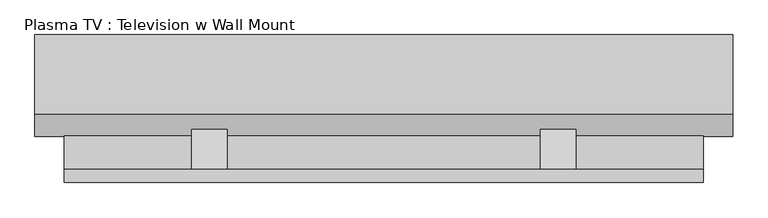
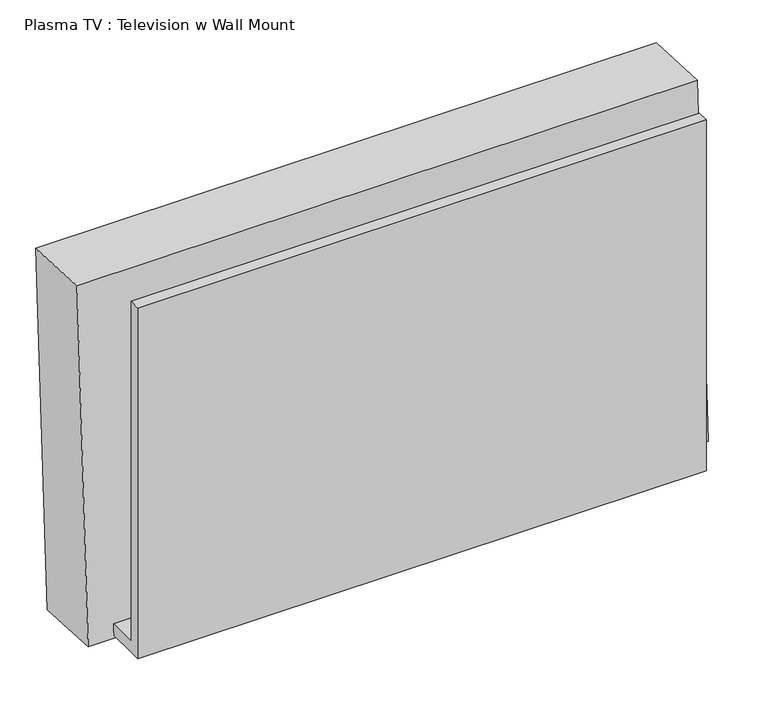
"""IFC4 building model written with IfcOpenShell, lengths in millimetres: proxy geometry, Plasma TV : Television w Wall Mount."""

from ifc_helpers import new_model, si_unit, point, frame, frame_2d, origin, place, context, project, spatial, polyline, circle_curve, trimmed, segment, composite_curve, outline, extrude, source, transform, mapped, element, save
from ifc_brep_helpers import plane_surface, revolved_surface, advanced_brep


def plasma_tv_television_w_wall_mount_cc8eaa67(model_context):
    return source(origin(), model_context, "Body", "SolidModel", [
        extrude(outline(composite_curve([segment(trimmed(circle_curve(frame_2d((0.0, -9.0037851)), 9.0037851), [point((0.0, -18.0075701))], [point((0.0, 0.0))], False, "CARTESIAN"), True, "CONTINUOUS"), segment(trimmed(circle_curve(frame_2d((0.0, -9.0037851)), 9.0037851), [point((0.0, 0.0))], [point((0.0, -18.0075701))], False, "CARTESIAN"), True, "CONTINUOUS")], self_intersect=False)), frame((-656.4331651, 240.5253505, 2466.195864), z_axis=(0.0, -0.9986295347545739, 0.05233595624294378), x_axis=(1.0, 0.0, 0.0)), (0.0, 0.0, 1.0), 3.175),
        extrude(outline(composite_curve([segment(trimmed(circle_curve(frame_2d((0.0, -9.0037851)), 9.0037851), [point((0.0, -18.0075701))], [point((0.0, 0.0))], False, "CARTESIAN"), True, "CONTINUOUS"), segment(trimmed(circle_curve(frame_2d((0.0, -9.0037851)), 9.0037851), [point((0.0, 0.0))], [point((0.0, -18.0075701))], False, "CARTESIAN"), True, "CONTINUOUS")], self_intersect=False)), frame((-675.4831651, 240.5253505, 2466.195864), z_axis=(0.0, -0.9986295347545739, 0.05233595624294378), x_axis=(1.0, 0.0, 0.0)), (0.0, 0.0, 1.0), 3.175),
        extrude(outline(polyline([(138.7616051, 2647.7291544), (135.5082889, 2585.6521819), (80.9625, 2680.1282596), (80.9625, 2705.5282596), (138.7616051, 2647.7291544)])), frame((-38.7151563, 0.0, 0.0), z_axis=(1.0, 0.0, 0.0), x_axis=(0.0, 1.0, 0.0)), (0.0, 0.0, 1.0), 50.8),
        extrude(outline(polyline([(138.7616051, 2647.7291544), (135.5082889, 2585.6521819), (80.9625, 2680.1282596), (80.9625, 2705.5282596), (138.7616051, 2647.7291544)])), frame((-537.7854688, 0.0, 0.0), z_axis=(1.0, 0.0, 0.0), x_axis=(0.0, 1.0, 0.0)), (0.0, 0.0, 1.0), 50.8),
        extrude(outline(polyline([(61.9125, 2451.1), (61.9125, 3048.0), (80.9625, 3048.0), (80.9625, 2470.15), (129.455076, 2470.15), (128.4567078, 2451.1), (80.9625, 2451.1), (61.9125, 2451.1)])), frame((-720.0503125, 0.0, 0.0), z_axis=(1.0, 0.0, 0.0), x_axis=(0.0, 1.0, 0.0)), (0.0, 0.0, 1.0), 914.4),
        extrude(outline(polyline([(0.0, -933.053125), (0.0, 0.0), (3.175, 0.0), (3.175, -933.053125), (0.0, -933.053125)])), frame((-729.376875, 237.7077838, 2473.0992385), z_axis=(0.0, 0.052335956242984656, 0.9986295347545718), x_axis=(0.0, 0.9986295347545718, -0.052335956242984656)), (0.0, 0.0, 1.0), 531.4488846),
        extrude(outline(polyline([(0.0, -933.053125), (0.0, 0.0), (76.2, 0.0), (76.2, -933.053125), (0.0, -933.053125)])), frame((-729.376875, 155.2709157, 2477.4195717), z_axis=(0.0, 0.052335956242941954, 0.998629534754574), x_axis=(0.0, 0.998629534754574, -0.052335956242941954)), (0.0, 0.0, 1.0), 531.4488846),
        extrude(outline(composite_curve([segment(trimmed(circle_curve(frame_2d((0.0, -9.0037851)), 9.0037851), [point((0.0, -18.0075701))], [point((0.0, 0.0))], False, "CARTESIAN"), True, "CONTINUOUS"), segment(trimmed(circle_curve(frame_2d((0.0, -9.0037851)), 9.0037851), [point((0.0, 0.0))], [point((0.0, -18.0075701))], False, "CARTESIAN"), True, "CONTINUOUS")], self_intersect=False)), frame((-694.5331651, 240.5253505, 2466.195864), z_axis=(0.0, -0.9986295347545739, 0.05233595624294378), x_axis=(1.0, 0.0, 0.0)), (0.0, 0.0, 1.0), 3.175),
        advanced_brep(
        [(-761.920625, 159.4228194, 3041.9686073), (-761.920625, 128.2025172, 2446.249755), (236.22, 128.2025172, 2446.249755), (236.22, 159.4228194, 3041.9686073), (-761.920625, 273.5661752, 3035.9866075), (236.22, 273.5661752, 3035.9866075), (236.22, 242.3458731, 2440.2677552), (-761.920625, 242.3458731, 2440.2677552), (-729.376875, 271.8629669, 3003.4874576), (-729.376875, 244.0490813, 2472.7669052), (203.67625, 244.0490813, 2472.7669052), (203.67625, 271.8629669, 3003.4874576), (-694.5331651, 242.907645, 2450.9870027), (-694.5331651, 243.5723117, 2463.6695978), (-675.4831651, 242.907645, 2450.9870027), (-675.4831651, 243.5723117, 2463.6695978), (-656.4331651, 242.907645, 2450.9870027), (-656.4331651, 243.5723117, 2463.6695978), (-729.376875, 183.0848013, 3008.1401241), (203.67625, 183.0848013, 3008.1401241), (203.67625, 155.2709157, 2477.4195717), (-729.376875, 155.2709157, 2477.4195717), (-694.5331651, 154.1294794, 2455.6396693), (-694.5331651, 154.794146, 2468.3222643), (-675.4831651, 154.1294794, 2455.6396693), (-675.4831651, 154.794146, 2468.3222643), (-656.4331651, 154.1294794, 2455.6396693), (-656.4331651, 154.794146, 2468.3222643)],
        [
            (0, 1),
            (1, 2),
            (2, 3),
            (3, 0),
            (4, 5),
            (5, 6),
            (6, 7),
            (7, 4),
            (8, 9),
            (9, 10),
            (10, 11),
            (11, 8),
            (12, 13, circle_curve(frame((-694.5331651, 243.2399783, 2457.3283003), z_axis=(0.0, -0.9986295347545739, 0.05233595624294378), x_axis=(0.0, 0.05233595624294378, 0.9986295347545739)), 6.35)),
            (13, 12, circle_curve(frame((-694.5331651, 243.2399783, 2457.3283003), z_axis=(0.0, -0.9986295347545739, 0.05233595624294378), x_axis=(0.0, 0.05233595624294378, 0.9986295347545739)), 6.35)),
            (14, 15, circle_curve(frame((-675.4831651, 243.2399783, 2457.3283003), z_axis=(0.0, -0.9986295347545739, 0.05233595624294378), x_axis=(0.0, 0.05233595624294378, 0.9986295347545739)), 6.35)),
            (15, 14, circle_curve(frame((-675.4831651, 243.2399783, 2457.3283003), z_axis=(0.0, -0.9986295347545739, 0.05233595624294378), x_axis=(0.0, 0.05233595624294378, 0.9986295347545739)), 6.35)),
            (16, 17, circle_curve(frame((-656.4331651, 243.2399783, 2457.3283003), z_axis=(0.0, -0.9986295347545739, 0.05233595624294378), x_axis=(0.0, 0.05233595624294378, 0.9986295347545739)), 6.35)),
            (17, 16, circle_curve(frame((-656.4331651, 243.2399783, 2457.3283003), z_axis=(0.0, -0.9986295347545739, 0.05233595624294378), x_axis=(0.0, 0.05233595624294378, 0.9986295347545739)), 6.35)),
            (0, 4),
            (7, 1),
            (6, 2),
            (5, 3),
            (18, 19),
            (19, 20),
            (20, 21),
            (21, 18),
            (21, 9),
            (8, 18),
            (20, 10),
            (19, 11),
            (22, 23, circle_curve(frame((-694.5331651, 154.4618127, 2461.9809668), z_axis=(0.0, 0.9986295347545739, -0.05233595624294378), x_axis=(0.0, 0.05233595624294378, 0.9986295347545739)), 6.35)),
            (23, 22, circle_curve(frame((-694.5331651, 154.4618127, 2461.9809668), z_axis=(0.0, 0.9986295347545739, -0.05233595624294378), x_axis=(0.0, 0.05233595624294378, 0.9986295347545739)), 6.35)),
            (24, 25, circle_curve(frame((-675.4831651, 154.4618127, 2461.9809668), z_axis=(0.0, 0.9986295347545739, -0.05233595624294378), x_axis=(0.0, 0.05233595624294378, 0.9986295347545739)), 6.35)),
            (25, 24, circle_curve(frame((-675.4831651, 154.4618127, 2461.9809668), z_axis=(0.0, 0.9986295347545739, -0.05233595624294378), x_axis=(0.0, 0.05233595624294378, 0.9986295347545739)), 6.35)),
            (26, 27, circle_curve(frame((-656.4331651, 154.4618127, 2461.9809668), z_axis=(0.0, 0.9986295347545739, -0.05233595624294378), x_axis=(0.0, 0.05233595624294378, 0.9986295347545739)), 6.35)),
            (27, 26, circle_curve(frame((-656.4331651, 154.4618127, 2461.9809668), z_axis=(0.0, 0.9986295347545739, -0.05233595624294378), x_axis=(0.0, 0.05233595624294378, 0.9986295347545739)), 6.35)),
            (23, 13),
            (12, 22),
            (25, 15),
            (14, 24),
            (27, 17),
            (16, 26),
        ],
        [
            plane_surface(frame((-761.920625, 159.4228194, 3041.9686073), z_axis=(0.0, -0.9986295347545739, 0.05233595624294378), x_axis=(0.0, -0.05233595624294378, -0.9986295347545739))),
            plane_surface(frame((-761.920625, 273.5661752, 3035.9866075), z_axis=(0.0, 0.9986295347545739, -0.05233595624294378), x_axis=(0.0, 0.05233595624294378, 0.9986295347545739))),
            plane_surface(frame((-761.920625, 159.4228194, 3041.9686073), z_axis=(-1.0000000000000002, 0.0, 0.0), x_axis=(0.0, 0.998629534754574, -0.05233595624294197))),
            plane_surface(frame((-761.920625, 128.2025172, 2446.249755), z_axis=(0.0, -0.05233595624294196, -0.998629534754574), x_axis=(0.0, 0.998629534754574, -0.05233595624294196))),
            plane_surface(frame((236.22, 128.2025172, 2446.249755), z_axis=(1.0000000000000002, 0.0, 0.0), x_axis=(0.0, 0.998629534754574, -0.05233595624294196))),
            plane_surface(frame((236.22, 159.4228194, 3041.9686073), z_axis=(0.0, 0.05233595624294197, 0.998629534754574), x_axis=(0.0, 0.998629534754574, -0.05233595624294197))),
            plane_surface(frame((-729.376875, 183.0848013, 3008.1401241), z_axis=(0.0, 0.9986295347545739, -0.05233595624294378), x_axis=(0.0, -0.05233595624294378, -0.9986295347545739))),
            plane_surface(frame((-729.376875, 183.0848013, 3008.1401241), z_axis=(1.0000000000000002, 0.0, 0.0), x_axis=(0.0, 0.998629534754574, -0.05233595624294197))),
            plane_surface(frame((-729.376875, 155.2709157, 2477.4195717), z_axis=(0.0, 0.05233595624294197, 0.998629534754574), x_axis=(0.0, 0.998629534754574, -0.05233595624294197))),
            plane_surface(frame((203.67625, 155.2709157, 2477.4195717), z_axis=(-1.0000000000000002, 0.0, 0.0), x_axis=(0.0, 0.998629534754574, -0.05233595624294197))),
            plane_surface(frame((203.67625, 183.0848013, 3008.1401241), z_axis=(0.0, -0.05233595624294197, -0.998629534754574), x_axis=(0.0, 0.998629534754574, -0.05233595624294197))),
            plane_surface(frame((-694.5331651, 154.794146, 2468.3222643), z_axis=(0.0, 0.9986295347545739, -0.05233595624294377), x_axis=(-1.0, 0.0, 0.0))),
            revolved_surface(polyline([(-694.5331651, 154.79414600286253, 2468.3222643546205), (-694.5331651, 243.5723117021748, 2463.6695978414978)]), (-694.5331651, 243.2399783, 2457.3283003), (0.0, -0.9986295347545739, 0.05233595624294378)),
            revolved_surface(polyline([(-675.4831651, 154.79414600299884, 2468.3222643572212), (-675.4831651, 243.57231170231108, 2463.669597844098)]), (-675.4831651, 129.0966225, 2463.3103001), (0.0, -0.9986295347545739, 0.05233595624294378)),
            revolved_surface(polyline([(-656.4331651, 154.79414600299884, 2468.3222643572212), (-656.4331651, 243.57231170231108, 2463.669597844098)]), (-656.4331651, 129.0966225, 2463.3103001), (0.0, -0.9986295347545739, 0.05233595624294378)),
        ],
        [
            (0, [[1, 2, 3, 4]]),
            (1, [[5, 6, 7, 8], [9, 10, 11, 12], [13, 14], [15, 16], [17, 18]]),
            (2, [[-1, 19, -8, 20]]),
            (3, [[-2, -20, -7, 21]]),
            (4, [[-3, -21, -6, 22]]),
            (5, [[-4, -22, -5, -19]]),
            (6, [[23, 24, 25, 26]]),
            (7, [[-26, 27, -9, 28]]),
            (8, [[-25, 29, -10, -27]]),
            (9, [[-24, 30, -11, -29]]),
            (10, [[-23, -28, -12, -30]]),
            (11, [[31, 32]]),
            (11, [[33, 34]]),
            (11, [[35, 36]]),
            (12, [[-32, 37, -13, 38]]),
            (12, [[-31, -38, -14, -37]]),
            (13, [[-34, 39, -15, 40]]),
            (13, [[-33, -40, -16, -39]]),
            (14, [[-36, 41, -17, 42]]),
            (14, [[-35, -42, -18, -41]]),
        ],
    ),
    ])


if __name__ == "__main__":
    model = new_model("IFC4")
    model_context = context("Model", 3, world=origin())
    ifc_project = project(units=[si_unit("LENGTHUNIT", "METRE", prefix="MILLI")], contexts=[model_context])
    site = spatial("IfcSite", under=ifc_project)
    building = spatial("IfcBuilding", under=site)
    placement = place(None, origin())
    plasma_tv_television_w_wall_mount_shape = plasma_tv_television_w_wall_mount_cc8eaa67(model_context)
    element("IfcBuildingElementProxy", 1, Name="Plasma TV : Television w Wall Mount", ObjectType="Plasma TV : Television w Wall Mount", at=placement, inside=building, context=model_context, shape_type="MappedRepresentation", body=[
        mapped(plasma_tv_television_w_wall_mount_shape, transform((0.0, 0.0, 0.0), x_axis=(1.0, 0.0, 0.0), y_axis=(0.0, 1.0, 0.0), z_axis=(0.0, 0.0, 1.0))),
    ])
    save(model, "model.ifc")
